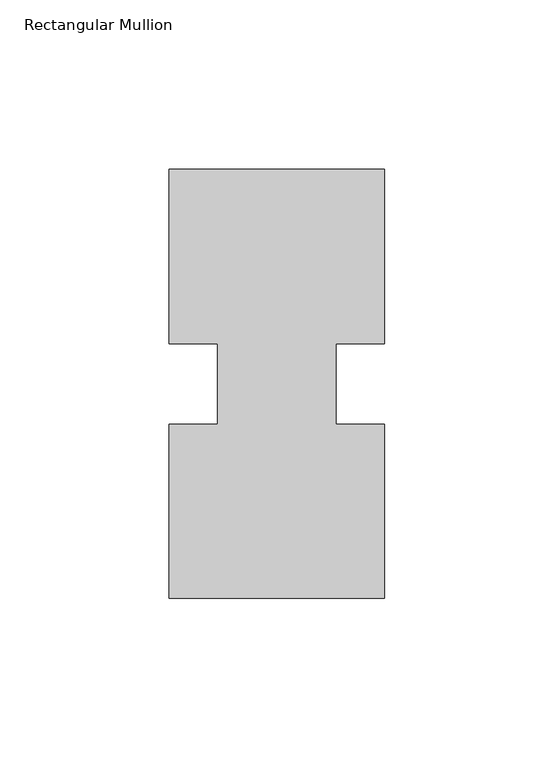
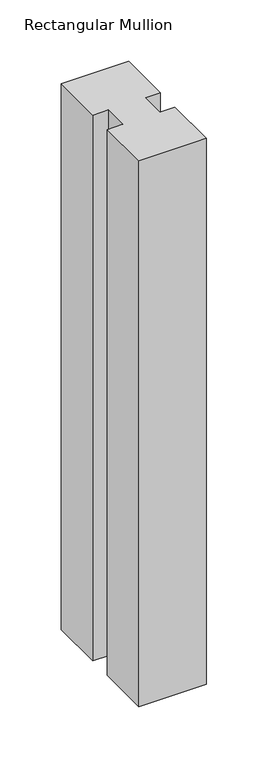
"""IFC4 building model written with IfcOpenShell, lengths in millimetres: member geometry, Rectangular Mullion."""

from ifc_helpers import new_model, si_unit, frame, origin, place, context, project, spatial, polyline, outline, extrude, source, transform, mapped, element, save


def rectangular_mullion_0afc5cdf(model_context):
    return source(origin(), model_context, "Body", "SweptSolid", [
        extrude(outline(polyline([(-63.5, 0.26035), (-63.5, 51.60645), (-49.2125, 51.60645), (-49.2125, 75.40625), (-63.5, 75.40625), (-63.5, 126.75235), (0.0, 126.75235), (0.0, 75.40625), (-14.2748, 75.40625), (-14.2748, 51.60645), (0.0, 51.60645), (0.0, 0.26035), (-63.5, 0.26035)])), frame((0.0, 0.0, -542.925), z_axis=(0.0, 0.0, 1.0), x_axis=(1.0, 0.0, 0.0)), (0.0, 0.0, 1.0), 542.925),
    ])


if __name__ == "__main__":
    model = new_model("IFC4")
    model_context = context("Model", 3, world=origin())
    ifc_project = project(units=[si_unit("LENGTHUNIT", "METRE", prefix="MILLI")], contexts=[model_context])
    site = spatial("IfcSite", under=ifc_project)
    building = spatial("IfcBuilding", under=site)
    placement = place(None, origin())
    rectangular_mullion_shape = rectangular_mullion_0afc5cdf(model_context)
    element("IfcMember", 1, ObjectType="Rectangular Mullion", at=placement, inside=building, context=model_context, shape_type="MappedRepresentation", body=[
        mapped(rectangular_mullion_shape, transform((0.0, 0.0, 0.0), x_axis=(1.0, 0.0, 0.0), y_axis=(0.0, 1.0, 0.0), z_axis=(0.0, 0.0, 1.0))),
    ])
    save(model, "model.ifc")
